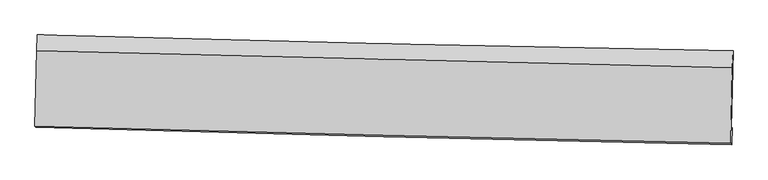
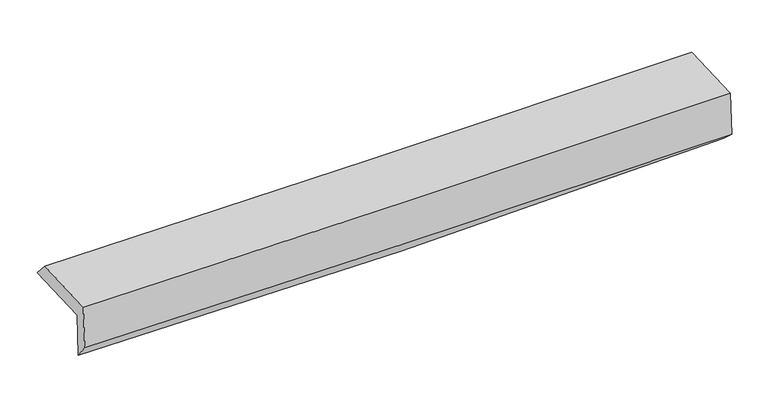
"""IFC4 building model written with IfcOpenShell, lengths in millimetres: proxy geometry."""

from ifc_helpers import new_model, si_unit, frame, origin, place, context, project, spatial, source, transform, mapped, element, save
from ifc_brep_helpers import plane_surface, spline_curve, spline_surface, advanced_brep


def generic_models_be5dbfcf(model_context):
    return source(origin(), model_context, "Body", "AdvancedBrep", [
        advanced_brep(
        [(-3020.953272, -1744.9530737, 1967.7080846), (-3005.9082226, -1066.9372912, 1974.1747339), (3010.785425, -1205.4365976, 2118.6095584), (2995.9588651, -1873.6059984, 2112.23682), (-3012.3807685, -1746.4730251, 1566.924209), (3004.9505653, -1869.8493038, 1697.4348609), (-3018.2600668, -1867.3053118, 1714.6965413), (2998.8546549, -2015.5212056, 1829.3900291), (-3026.7197768, -1856.9156688, 2119.4777594), (2990.4021706, -2005.1404367, 2233.825511), (-3012.2289938, -1203.8782932, 2125.7061745), (3004.8929536, -1352.1030611, 2240.053926)],
        [
            (0, 1),
            (1, 2, spline_curve(3, [(-3005.9082226, -1066.9372912, 1974.1747339), (-2002.528090183, -1095.788233255, 1964.838647592), (-999.451678588, -1121.755230472, 1972.206564951), (1006.112882131, -1167.921776426, 2020.350867461), (2008.60101984, -1188.121214647, 2061.127891547), (3010.785425, -1205.4365976, 2118.6095584)], [4, 2, 4], [0.0, 9.877033314786493, 19.75425554275356])),
            (2, 3),
            (3, 0, spline_curve(3, [(2995.9588651, -1873.6059984, 2112.23682), (1993.95705883, -1851.286930888, 2051.47014279), (991.542011949, -1829.406221581, 2009.042803288), (-1014.09538271, -1786.521930129, 1960.867259423), (-2017.317714892, -1765.518330869, 1955.118354046), (-3020.953272, -1744.9530737, 1967.7080846)], [4, 2, 4], [0.0, 9.877222227967069, 19.75425554275356])),
            (4, 0),
            (3, 5),
            (5, 4, spline_curve(3, [(3004.9505653, -1869.8493038, 1697.4348609), (2002.799086932, -1846.742493046, 1644.459524678), (1000.274271117, -1824.907644801, 1607.096014074), (-1005.502854742, -1783.782267087, 1563.593060552), (-2008.755149777, -1764.491689112, 1557.453020383), (-3012.3807685, -1746.4730251, 1566.924209)], [4, 2, 4], [0.0, 9.877097902928833, 19.75400689505495])),
            (6, 4),
            (5, 7),
            (7, 6, spline_curve(3, [(2998.8546549, -2015.5212056, 1829.3900291), (1996.098523421, -1993.498416698, 1803.441306514), (993.289435089, -1970.135566697, 1780.909095971), (-1012.415474205, -1920.730217175, 1742.678064038), (-2015.311292986, -1894.687769477, 1726.979112026), (-3018.2600668, -1867.3053118, 1714.6965413)], [4, 2, 4], [0.0, 9.875947396596098, 19.75170590439423])),
            (8, 6),
            (7, 9),
            (9, 8, spline_curve(3, [(2990.4021706, -2005.1404367, 2233.825511), (1987.642426083, -1983.113210503, 2208.049657086), (984.830929204, -1959.747402753, 2185.632691964), (-1020.876388297, -1910.339095347, 2147.516903344), (-2023.772207442, -1884.296647453, 2131.817951301), (-3026.7197768, -1856.9156688, 2119.4777594)], [4, 2, 4], [0.0, 9.875553343599622, 19.75091780593799])),
            (10, 8),
            (9, 11),
            (11, 10, spline_curve(3, [(3004.8929536, -1352.1030611, 2240.053926), (2002.207154289, -1326.743441627, 2214.30985523), (999.432629793, -1301.711452953, 2191.908781413), (-1006.274689286, -1252.303209346, 2153.792992295), (-2009.207480717, -1227.926942375, 2138.078148776), (-3012.2289938, -1203.8782932, 2125.7061745)], [4, 2, 4], [0.0, 9.875543749749262, 19.750898618420766])),
            (1, 10),
            (11, 2),
        ],
        [
            spline_surface(3, 3, [[(-3020.953272, -1744.9530737, 1967.7080846), (-2017.317715014, -1765.518331033, 1955.118354073), (-1014.095382792, -1786.521930121, 1960.867259544), (991.54201203, -1829.406221588, 2009.042803166), (1993.957058878, -1851.28693073, 2051.470142821), (2995.9588651, -1873.6059984, 2112.23682)], [(-3015.938255546, -1518.947812847, 1969.863634378), (-2012.38784007, -1542.274965128, 1958.358451919), (-1009.214148045, -1564.933030267, 1964.647028024), (996.398968774, -1608.91140651, 2012.812157941), (1998.838379214, -1630.231692013, 2054.689392413), (3000.901051736, -1650.882864785, 2114.361066132)], [(-3010.923239054, -1292.942552053, 1972.019184122), (-2007.457965089, -1319.031599281, 1961.598549733), (-1004.332913383, -1343.344130406, 1968.426796473), (1001.255925434, -1388.416591424, 2016.581512685), (2003.719699542, -1409.17645334, 2057.90864201), (3005.843238364, -1428.159731215, 2116.485312268)], [(-3005.9082226, -1066.9372912, 1974.1747339), (-2002.528090145, -1095.788233375, 1964.838647579), (-999.451678636, -1121.755230552, 1972.206564953), (1006.112882178, -1167.921776346, 2020.350867459), (2008.601019877, -1188.121214623, 2061.127891603), (3010.785425, -1205.4365976, 2118.6095584)]], [4, 4], [4, 2, 4], [0.0, 2.1764536027365584], [0.0, 9.877033314786493, 19.75425554275356]),
            spline_surface(3, 3, [[(-3012.3807685, -1746.4730251, 1566.924209), (-2008.755149908, -1764.49168911, 1557.453020464), (-1005.502854578, -1783.78226715, 1563.593060585), (1000.274270953, -1824.907644739, 1607.096014041), (2002.799086922, -1846.742492911, 1644.459524544), (3004.9505653, -1869.8493038, 1697.4348609)], [(-3015.238269663, -1745.966374647, 1700.518834178), (-2011.609338273, -1764.833903098, 1690.008131645), (-1008.367030659, -1784.695488113, 1696.017793558), (997.363517969, -1826.407170328, 1741.078277069), (1999.851744242, -1848.257305522, 1780.129730613), (3001.9533319, -1871.101535338, 1835.702180577)], [(-3018.095770837, -1745.459724153, 1834.113459422), (-2014.463526649, -1765.176117045, 1822.563242892), (-1011.23120671, -1785.608709158, 1828.442526572), (994.452765015, -1827.906695999, 1875.060540138), (1996.904401559, -1849.772118119, 1915.799936751), (2998.9560985, -1872.353766862, 1973.969500323)], [(-3020.953272, -1744.9530737, 1967.7080846), (-2017.317715014, -1765.518331033, 1955.118354073), (-1014.095382792, -1786.521930121, 1960.867259544), (991.54201203, -1829.406221588, 2009.042803166), (1993.957058878, -1851.28693073, 2051.470142821), (2995.9588651, -1873.6059984, 2112.23682)]], [4, 4], [4, 2, 4], [0.0, 1.311419947148396], [0.0, 9.876908992126117, 19.75400689505495]),
            spline_surface(3, 3, [[(-3018.2600668, -1867.3053118, 1714.6965413), (-2015.311293109, -1894.687769424, 1726.979112124), (-1012.415474193, -1920.730217337, 1742.678064047), (993.289435078, -1970.135566534, 1780.909095962), (1996.098523372, -1993.498416547, 1803.441306633), (2998.8546549, -2015.5212056, 1829.3900291)], [(-3016.300300695, -1827.02788291, 1665.439097217), (-2013.125912036, -1851.289075996, 1670.470414921), (-1010.111267673, -1875.080900605, 1682.983062877), (995.617713685, -1921.726259266, 1722.971401973), (1998.332044533, -1944.579775352, 1750.447379288), (3000.886625011, -1966.963905017, 1785.404973051)], [(-3014.340534605, -1786.75045399, 1616.181653083), (-2010.94053098, -1807.890382538, 1613.961717667), (-1007.807061098, -1829.431583882, 1623.288061755), (997.945992346, -1873.316952007, 1665.03370803), (2000.565565761, -1895.661134106, 1697.453451889), (3002.918595189, -1918.406604383, 1741.419916949)], [(-3012.3807685, -1746.4730251, 1566.924209), (-2008.755149908, -1764.49168911, 1557.453020464), (-1005.502854578, -1783.78226715, 1563.593060585), (1000.274270953, -1824.907644739, 1607.096014041), (2002.799086922, -1846.742492911, 1644.459524544), (3004.9505653, -1869.8493038, 1697.4348609)]], [4, 4], [4, 2, 4], [0.0, 0.7415595239982782], [0.0, 9.87575850779813, 19.75170590439423]),
            spline_surface(3, 3, [[(-3026.7197768, -1856.9156688, 2119.4777594), (-2023.772207358, -1884.296647447, 2131.817951283), (-1020.876388442, -1910.33909546, 2147.516903305), (984.83092935, -1959.74740264, 2185.632692002), (1987.642426209, -1983.113210574, 2208.049657218), (2990.4021706, -2005.1404367, 2233.825511)], [(-3023.899873464, -1860.378883119, 1984.550686689), (-2020.951902605, -1887.760354758, 1996.871671552), (-1018.056083689, -1913.802802771, 2012.570623575), (987.650431262, -1963.210123957, 2050.724826678), (1990.461125266, -1986.574945878, 2073.180207035), (2993.219665369, -2008.600692979, 2099.013683712)], [(-3021.079970136, -1863.842097481, 1849.623614011), (-2018.131597862, -1891.224062113, 1861.925391855), (-1015.235778946, -1917.266510026, 1877.624343778), (990.469933165, -1966.672845217, 1915.816961286), (1993.279824315, -1990.036681243, 1938.310756816), (2996.037160131, -2012.060949321, 1964.201856388)], [(-3018.2600668, -1867.3053118, 1714.6965413), (-2015.311293109, -1894.687769424, 1726.979112124), (-1012.415474193, -1920.730217337, 1742.678064047), (993.289435078, -1970.135566534, 1780.909095962), (1996.098523372, -1993.498416547, 1803.441306633), (2998.8546549, -2015.5212056, 1829.3900291)]], [4, 4], [4, 2, 4], [0.0, 1.3287496540092911], [0.0, 9.87536446233837, 19.75091780593799]),
            spline_surface(3, 3, [[(-3012.2289938, -1203.8782932, 2125.7061745), (-2009.207480557, -1227.926942213, 2138.078148839), (-1006.274689349, -1252.303209428, 2153.792992202), (999.432629857, -1301.711452872, 2191.908781506), (2002.207154424, -1326.743441604, 2214.309855283), (3004.8929536, -1352.1030611, 2240.053926)], [(-3017.059254788, -1421.557418402, 2123.630036147), (-2014.062389479, -1446.716843959, 2135.991416334), (-1011.141922356, -1471.648504758, 2151.70096257), (994.565396379, -1521.056769447, 2189.816751672), (1997.352245031, -1545.533364596, 2212.223122575), (3000.062692612, -1569.782186302, 2237.977787647)], [(-3021.889515812, -1639.236543598, 2121.553897753), (-2018.917298436, -1665.5067457, 2133.904683787), (-1016.009155436, -1690.99380013, 2149.608932937), (989.698162828, -1740.402086064, 2187.724721836), (1992.497335602, -1764.323287582, 2210.136389926), (2995.232431588, -1787.461311498, 2235.901649353)], [(-3026.7197768, -1856.9156688, 2119.4777594), (-2023.772207358, -1884.296647447, 2131.817951283), (-1020.876388442, -1910.33909546, 2147.516903305), (984.83092935, -1959.74740264, 2185.632692002), (1987.642426209, -1983.113210574, 2208.049657218), (2990.4021706, -2005.1404367, 2233.825511)]], [4, 4], [4, 2, 4], [0.0, 2.159540104573641], [0.0, 9.875354868671504, 19.750898618420766]),
            spline_surface(3, 3, [[(-3005.9082226, -1066.9372912, 1974.1747339), (-2002.528090145, -1095.788233375, 1964.838647579), (-999.451678636, -1121.755230552, 1972.206564953), (1006.112882178, -1167.921776346, 2020.350867459), (2008.601019877, -1188.121214623, 2061.127891603), (3010.785425, -1205.4365976, 2118.6095584)], [(-3008.015146345, -1112.584291875, 2024.685214091), (-2004.754553627, -1139.834469663, 2022.58514799), (-1001.726015568, -1165.271223534, 2032.735374032), (1003.886131377, -1212.518335211, 2077.536838805), (2006.469731398, -1234.328623628, 2112.188546176), (3008.821267872, -1254.325418778, 2159.09101428)], [(-3010.122070055, -1158.231292525, 2075.195694309), (-2006.981017075, -1183.880705925, 2080.331648428), (-1004.000352418, -1208.787216446, 2093.264183122), (1001.659380658, -1257.114894007, 2134.72281016), (2004.338442903, -1280.536032598, 2163.249200709), (3006.857110728, -1303.214239922, 2199.57247012)], [(-3012.2289938, -1203.8782932, 2125.7061745), (-2009.207480557, -1227.926942213, 2138.078148839), (-1006.274689349, -1252.303209428, 2153.792992202), (999.432629857, -1301.711452872, 2191.908781506), (2002.207154424, -1326.743441604, 2214.309855283), (3004.8929536, -1352.1030611, 2240.053926)]], [4, 4], [4, 2, 4], [0.0, 0.7239579646633373], [0.0, 9.87582886169809, 19.75184661353977]),
            plane_surface(frame((3000.9741058, -1720.2761006, 2038.5917842), z_axis=(0.9995190152100117, -0.022383863492676695, 0.02146394392346232), x_axis=(0.02088802349045185, -0.025653255948969875, -0.9994526506712956))),
            plane_surface(frame((-3016.0751834, -1581.0771106, 1911.4479171), z_axis=(-0.9995190152100316, 0.02238386349141519, -0.02146394392385949), x_axis=(-0.02218335232427583, -0.9997084504651278, -0.009534828172039277))),
        ],
        [
            (0, [[1, 2, 3, 4]]),
            (1, [[5, -4, 6, 7]]),
            (2, [[8, -7, 9, 10]]),
            (3, [[11, -10, 12, 13]]),
            (4, [[14, -13, 15, 16]]),
            (5, [[17, -16, 18, -2]]),
            (6, [[-12, -9, -6, -3, -18, -15]]),
            (7, [[-1, -5, -8, -11, -14, -17]]),
        ],
    ),
    ])


if __name__ == "__main__":
    model = new_model("IFC4")
    model_context = context("Model", 3, world=origin())
    ifc_project = project(units=[si_unit("LENGTHUNIT", "METRE", prefix="MILLI")], contexts=[model_context])
    site = spatial("IfcSite", under=ifc_project)
    building = spatial("IfcBuilding", under=site)
    placement = place(None, origin())
    generic_models_shape = generic_models_be5dbfcf(model_context)
    element("IfcBuildingElementProxy", 1, Name="Generic Models", at=placement, inside=building, context=model_context, shape_type="MappedRepresentation", body=[
        mapped(generic_models_shape, transform((0.0, 0.0, 0.0), x_axis=(1.0, 0.0, 0.0), y_axis=(0.0, 1.0, 0.0), z_axis=(0.0, 0.0, 1.0))),
    ])
    save(model, "model.ifc")
